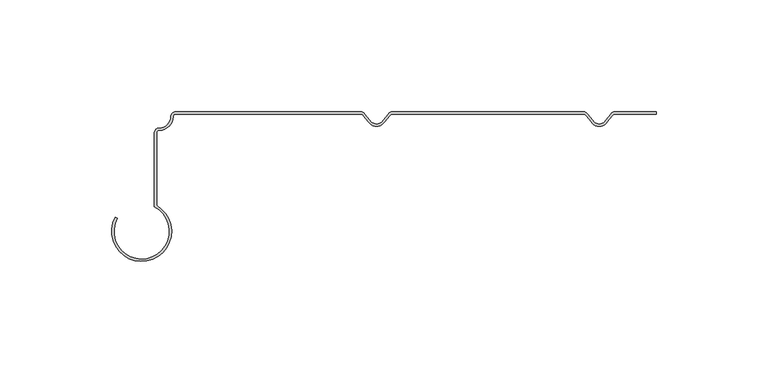
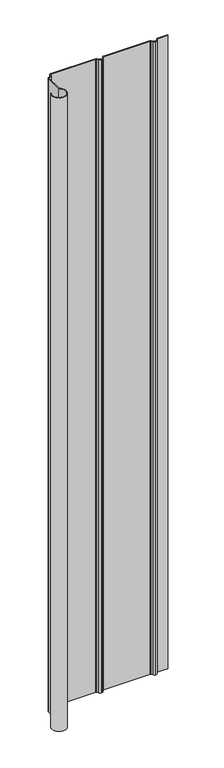
"""IFC4 building model written with IfcOpenShell, lengths in millimetres: plate geometry."""

from ifc_helpers import new_model, si_unit, point, frame_2d, origin, origin_with_axes, place, context, project, spatial, polyline, circle_curve, trimmed, segment, composite_curve, outline, extrude, source, transform, mapped, element, save


def plate_d2824d58(model_context):
    return source(origin(), model_context, "Body", "SweptSolid", [
        extrude(outline(composite_curve([segment(trimmed(circle_curve(frame_2d((95.534754, -2.5726732)), 1.5639945), [point((95.3836008, -1.016))], [point((94.2604725, -1.6658736))], True, "CARTESIAN"), True, "CONTINUOUS"), segment(polyline([(94.2604725, -1.6658736), (92.00827, -4.4520544)]), True, "CONTINUOUS"), segment(trimmed(circle_curve(frame_2d((88.071846, -1.8878413)), 4.6979382), [point((92.00827, -4.4520544))], [point((88.3826903, -6.5754845))], False, "CARTESIAN"), True, "CONTINUOUS"), segment(trimmed(circle_curve(frame_2d((88.6925942, -1.8877792)), 4.697938), [point((88.3826903, -6.5754845))], [point((84.756684, -4.4527805))], False, "CARTESIAN"), True, "CONTINUOUS"), segment(polyline([(84.756684, -4.4527805), (82.5039236, -1.6670508)]), True, "CONTINUOUS"), segment(trimmed(circle_curve(frame_2d((81.226748, -2.5773045)), 1.5683556), [point((82.5039236, -1.6670508))], [point((81.3752991, -1.016))], True, "CARTESIAN"), True, "CONTINUOUS"), segment(polyline([(81.3752991, -1.016), (-4.1902967, -1.016)]), True, "CONTINUOUS"), segment(trimmed(circle_curve(frame_2d((-4.0391435, -2.5726732)), 1.5639945), [point((-4.1902967, -1.016))], [point((-5.313425, -1.6658736))], True, "CARTESIAN"), True, "CONTINUOUS"), segment(polyline([(-5.313425, -1.6658736), (-7.5656275, -4.4520544)]), True, "CONTINUOUS"), segment(trimmed(circle_curve(frame_2d((-11.5020516, -1.8878413)), 4.6979382), [point((-7.5656275, -4.4520544))], [point((-11.1912072, -6.5754845))], False, "CARTESIAN"), True, "CONTINUOUS"), segment(trimmed(circle_curve(frame_2d((-10.8813033, -1.8877792)), 4.697938), [point((-11.1912072, -6.5754845))], [point((-14.8172136, -4.4527805))], False, "CARTESIAN"), True, "CONTINUOUS"), segment(polyline([(-14.8172136, -4.4527805), (-17.069974, -1.6670508)]), True, "CONTINUOUS"), segment(trimmed(circle_curve(frame_2d((-18.3471496, -2.5773045)), 1.5683556), [point((-17.069974, -1.6670508))], [point((-18.1985985, -1.016))], True, "CARTESIAN"), True, "CONTINUOUS"), segment(polyline([(-18.1985985, -1.016), (-101.0979962, -1.016)]), True, "CONTINUOUS"), segment(trimmed(circle_curve(frame_2d((-101.0979962, -2.11836)), 1.10236), [point((-101.0979962, -1.016))], [point((-102.2003562, -2.11836))], True, "CARTESIAN"), True, "CONTINUOUS"), segment(trimmed(circle_curve(frame_2d((-108.3582698, -2.11836)), 6.1579136), [point((-102.2003562, -2.11836))], [point((-108.3582697, -8.2762736))], False, "CARTESIAN"), True, "CONTINUOUS"), segment(trimmed(circle_curve(frame_2d((-108.3582697, -9.531264)), 1.2549905), [point((-108.3582697, -8.2762736))], [point((-109.6132602, -9.531264))], True, "CARTESIAN"), True, "CONTINUOUS"), segment(polyline([(-109.6132602, -9.531264), (-109.6132602, -41.9030792)]), True, "CONTINUOUS"), segment(trimmed(circle_curve(frame_2d((-116.2848484, -53.5211117)), 13.3973418), [point((-109.6132602, -41.9030792))], [point((-128.0403024, -47.0947543))], False, "CARTESIAN"), True, "CONTINUOUS"), segment(polyline([(-128.0403024, -47.0947543), (-127.1488166, -47.5821032)]), True, "CONTINUOUS"), segment(trimmed(circle_curve(frame_2d((-116.2848484, -53.5211117)), 12.3813418), [point((-127.1488166, -47.5821032))], [point((-110.6292602, -42.5069414))], True, "CARTESIAN"), True, "CONTINUOUS"), segment(polyline([(-110.6292602, -42.5069414), (-110.6292602, -9.531264)]), True, "CONTINUOUS"), segment(trimmed(circle_curve(frame_2d((-108.3582697, -9.531264)), 2.2709905), [point((-110.6292602, -9.531264))], [point((-108.3582697, -7.2602736))], False, "CARTESIAN"), True, "CONTINUOUS"), segment(trimmed(circle_curve(frame_2d((-108.3582698, -2.11836)), 5.1419136), [point((-108.3582697, -7.2602736))], [point((-103.2163562, -2.11836))], True, "CARTESIAN"), True, "CONTINUOUS"), segment(trimmed(circle_curve(frame_2d((-101.0979962, -2.11836)), 2.11836), [point((-103.2163562, -2.11836))], [point((-101.0979962, 0.0))], False, "CARTESIAN"), True, "CONTINUOUS"), segment(polyline([(-101.0979962, 0.0), (-18.1350157, 0.0)]), True, "CONTINUOUS"), segment(trimmed(circle_curve(frame_2d((-18.3305549, -2.3343375)), 2.342513), [point((-18.1350157, 0.0))], [point((-16.3818706, -1.0343389))], False, "CARTESIAN"), True, "CONTINUOUS"), segment(polyline([(-16.3818706, -1.0343389), (-14.1291101, -3.8200686)]), True, "CONTINUOUS"), segment(trimmed(circle_curve(frame_2d((-10.8813033, -1.6534042)), 3.904188), [point((-14.1291101, -3.8200686))], [point((-11.1912876, -5.5452667))], True, "CARTESIAN"), True, "CONTINUOUS"), segment(trimmed(circle_curve(frame_2d((-11.5020514, -1.6534664)), 3.904188), [point((-11.1912876, -5.5452667))], [point((-8.2538107, -3.8194802))], True, "CARTESIAN"), True, "CONTINUOUS"), segment(polyline([(-8.2538107, -3.8194802), (-6.0072503, -1.0402792)]), True, "CONTINUOUS"), segment(trimmed(circle_curve(frame_2d((-4.0494071, -2.326443)), 2.342513), [point((-6.0072503, -1.0402792))], [point((-4.323323, 0.0))], False, "CARTESIAN"), True, "CONTINUOUS"), segment(polyline([(-4.323323, 0.0), (81.4388818, 0.0)]), True, "CONTINUOUS"), segment(trimmed(circle_curve(frame_2d((81.2433426, -2.3343375)), 2.342513), [point((81.4388818, 0.0))], [point((83.192027, -1.0343389))], False, "CARTESIAN"), True, "CONTINUOUS"), segment(polyline([(83.192027, -1.0343389), (85.4447874, -3.8200686)]), True, "CONTINUOUS"), segment(trimmed(circle_curve(frame_2d((88.6925942, -1.6534042)), 3.904188), [point((85.4447874, -3.8200686))], [point((88.3826108, -5.5452667))], True, "CARTESIAN"), True, "CONTINUOUS"), segment(trimmed(circle_curve(frame_2d((88.071846, -1.6534664)), 3.9041881), [point((88.3826108, -5.5452667))], [point((91.3200869, -3.8194802))], True, "CARTESIAN"), True, "CONTINUOUS"), segment(polyline([(91.3200869, -3.8194802), (93.5666473, -1.0402792)]), True, "CONTINUOUS"), segment(trimmed(circle_curve(frame_2d((95.5244904, -2.326443)), 2.342513), [point((93.5666473, -1.0402792))], [point((95.2505746, 0.0))], False, "CARTESIAN"), True, "CONTINUOUS"), segment(polyline([(95.2505746, 0.0), (113.9042607, 0.0), (113.9042607, -1.016), (95.3836008, -1.016)]), True, "CONTINUOUS")], self_intersect=False)), origin_with_axes(), (0.0, 0.0, 1.0), 1228.3559792),
    ])


if __name__ == "__main__":
    model = new_model("IFC4")
    model_context = context("Model", 3, world=origin())
    ifc_project = project(units=[si_unit("LENGTHUNIT", "METRE", prefix="MILLI")], contexts=[model_context])
    site = spatial("IfcSite", under=ifc_project)
    building = spatial("IfcBuilding", under=site)
    placement = place(None, origin())
    plate_shape = plate_d2824d58(model_context)
    element("IfcPlate", 1, at=placement, inside=building, context=model_context, shape_type="MappedRepresentation", body=[
        mapped(plate_shape, transform((0.0, 0.0, 0.0), x_axis=(1.0, 0.0, 0.0), y_axis=(0.0, 1.0, 0.0), z_axis=(0.0, 0.0, 1.0))),
    ])
    save(model, "model.ifc")
